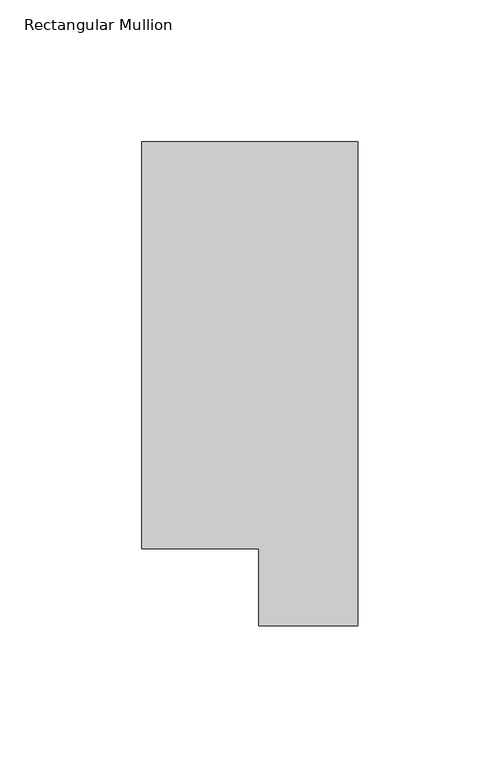
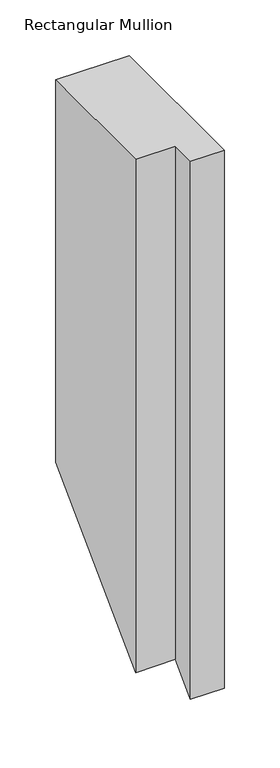
"""IFC4 building model written with IfcOpenShell, lengths in millimetres: member geometry, Rectangular Mullion."""

from ifc_helpers import new_model, si_unit, origin, place, context, project, spatial, faceted_brep, source, transform, mapped, element, save


def rectangular_mullion_5e327cda(model_context):
    return source(origin(), model_context, "Body", "Brep", [
        faceted_brep([(0.0, 190.2801312, 0.0), (-76.2, 190.2801312, 0.0), (-76.2, 46.7447302, 0.0), (-34.9123, 46.7447302, 0.0), (-34.9123, 19.5667312, 0.0), (0.0, 19.5667312, 0.0), (0.0, 190.2801312, -419.3198688), (-76.2, 190.2801312, -419.3198688), (-76.2, 46.7447302, -562.8552698), (-34.9123, 46.7447302, -562.8552698), (-34.9123, 19.5667312, -590.0332687), (0.0, 19.5667312, -590.0332687)], [[[0, 1, 2, 3, 4, 5]], [[1, 0, 6, 7]], [[2, 1, 7, 8]], [[3, 2, 8, 9]], [[4, 3, 9, 10]], [[5, 4, 10, 11]], [[0, 5, 11, 6]], [[6, 11, 10, 9, 8, 7]]]),
    ])


if __name__ == "__main__":
    model = new_model("IFC4")
    model_context = context("Model", 3, world=origin())
    ifc_project = project(units=[si_unit("LENGTHUNIT", "METRE", prefix="MILLI")], contexts=[model_context])
    site = spatial("IfcSite", under=ifc_project)
    building = spatial("IfcBuilding", under=site)
    placement = place(None, origin())
    rectangular_mullion_shape = rectangular_mullion_5e327cda(model_context)
    element("IfcMember", 1, ObjectType="Rectangular Mullion", at=placement, inside=building, context=model_context, shape_type="MappedRepresentation", body=[
        mapped(rectangular_mullion_shape, transform((0.0, 0.0, 0.0), x_axis=(1.0, 0.0, 0.0), y_axis=(0.0, 1.0, 0.0), z_axis=(0.0, 0.0, 1.0))),
    ])
    save(model, "model.ifc")
